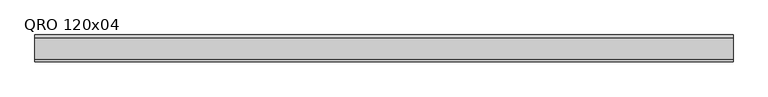
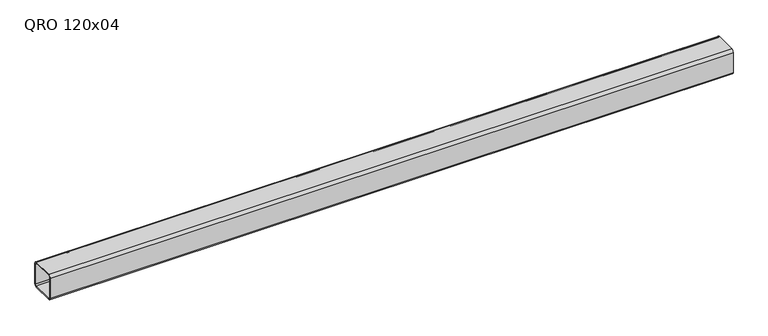
"""IFC4 building model written with IfcOpenShell, lengths in millimetres: beam geometry, QRO 120x04."""

from ifc_helpers import new_model, si_unit, point, frame, frame_2d, origin, place, context, project, spatial, polyline, circle_curve, trimmed, segment, composite_curve, outline, extrude, source, transform, mapped, element, save


def qro_120x04_1e081982(model_context):
    return source(origin(), model_context, "Body", "SweptSolid", [
        extrude(outline(composite_curve([segment(polyline([(60.0, 48.0), (60.0, -48.0)]), True, "CONTINUOUS"), segment(trimmed(circle_curve(frame_2d((48.0, -48.0)), 12.0), [point((60.0, -48.0))], [point((48.0, -60.0))], False, "CARTESIAN"), True, "CONTINUOUS"), segment(polyline([(48.0, -60.0), (-48.0, -60.0)]), True, "CONTINUOUS"), segment(trimmed(circle_curve(frame_2d((-48.0, -48.0)), 12.0), [point((-48.0, -60.0))], [point((-60.0, -48.0))], False, "CARTESIAN"), True, "CONTINUOUS"), segment(polyline([(-60.0, -48.0), (-60.0, 48.0)]), True, "CONTINUOUS"), segment(trimmed(circle_curve(frame_2d((-48.0, 48.0)), 12.0), [point((-60.0, 48.0))], [point((-48.0, 60.0))], False, "CARTESIAN"), True, "CONTINUOUS"), segment(polyline([(-48.0, 60.0), (48.0, 60.0)]), True, "CONTINUOUS"), segment(trimmed(circle_curve(frame_2d((48.0, 48.0)), 12.0), [point((48.0, 60.0))], [point((60.0, 48.0))], False, "CARTESIAN"), True, "CONTINUOUS")], self_intersect=False), holes=[composite_curve([segment(trimmed(circle_curve(frame_2d((-48.0, 48.0)), 6.0), [point((-48.0, 54.0))], [point((-54.0, 48.0))], True, "CARTESIAN"), True, "CONTINUOUS"), segment(polyline([(-54.0, 48.0), (-54.0, -48.0)]), True, "CONTINUOUS"), segment(trimmed(circle_curve(frame_2d((-48.0, -48.0)), 6.0), [point((-54.0, -48.0))], [point((-48.0, -54.0))], True, "CARTESIAN"), True, "CONTINUOUS"), segment(polyline([(-48.0, -54.0), (48.0, -54.0)]), True, "CONTINUOUS"), segment(trimmed(circle_curve(frame_2d((48.0, -48.0)), 6.0), [point((48.0, -54.0))], [point((54.0, -48.0))], True, "CARTESIAN"), True, "CONTINUOUS"), segment(polyline([(54.0, -48.0), (54.0, 48.0)]), True, "CONTINUOUS"), segment(trimmed(circle_curve(frame_2d((48.0, 48.0)), 6.0), [point((54.0, 48.0))], [point((48.0, 54.0))], True, "CARTESIAN"), True, "CONTINUOUS"), segment(polyline([(48.0, 54.0), (-48.0, 54.0)]), True, "CONTINUOUS")], self_intersect=False)]), frame((-1532.9928088, 0.0, 0.0), z_axis=(1.0, 0.0, 0.0), x_axis=(0.0, 1.0, 0.0)), (0.0, 0.0, 1.0), 3100.6805403),
    ])


if __name__ == "__main__":
    model = new_model("IFC4")
    model_context = context("Model", 3, world=origin())
    ifc_project = project(units=[si_unit("LENGTHUNIT", "METRE", prefix="MILLI")], contexts=[model_context])
    site = spatial("IfcSite", under=ifc_project)
    building = spatial("IfcBuilding", under=site)
    placement = place(None, origin())
    qro_120x04_shape = qro_120x04_1e081982(model_context)
    element("IfcBeam", 1, ObjectType="QRO 120x04", at=placement, inside=building, context=model_context, shape_type="MappedRepresentation", body=[
        mapped(qro_120x04_shape, transform((0.0, 0.0, 0.0), x_axis=(1.0, 0.0, 0.0), y_axis=(0.0, 1.0, 0.0), z_axis=(0.0, 0.0, 1.0))),
    ])
    save(model, "model.ifc")
